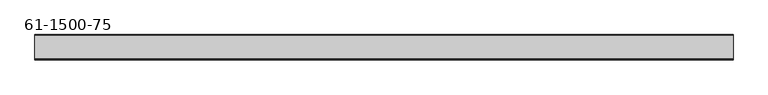
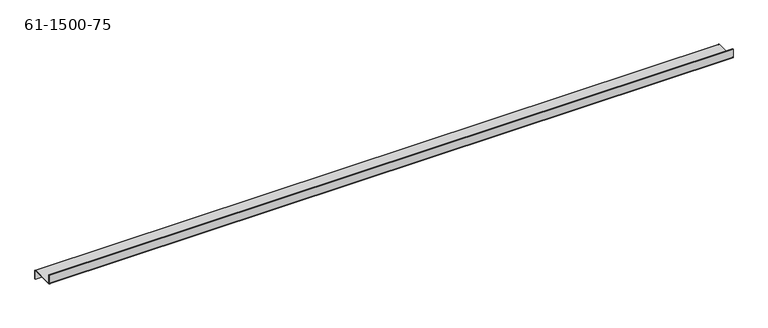
"""IFC4 building model written with IfcOpenShell, lengths in millimetres: proxy geometry, 61-1500-75."""

from ifc_helpers import new_model, si_unit, frame, origin, place, context, project, spatial, polyline, circle_curve, source, transform, mapped, element, save
from ifc_brep_helpers import plane_surface, cylinder_surface, revolved_surface, advanced_brep


def proxy_61_1500_75_e885cc8c(model_context):
    return source(origin(), model_context, "Body", "AdvancedBrep", [
        advanced_brep(
        [(684.3174144, 42.1591738, -8.51916), (684.3174144, 41.1533338, -8.51916), (681.2694144, 41.1533338, -8.51916), (681.2694144, 42.1591738, -8.51916), (989.1174144, 42.1591738, -8.51916), (989.1174144, 41.1533338, -8.51916), (986.0694144, 41.1533338, -8.51916), (986.0694144, 42.1591738, -8.51916), (1293.9174144, 42.1591738, -8.51916), (1293.9174144, 41.1533338, -8.51916), (1290.8694144, 41.1533338, -8.51916), (1290.8694144, 42.1591738, -8.51916), (1141.5174144, 42.1591738, -8.51916), (1141.5174144, 41.1533338, -8.51916), (1138.4694144, 41.1533338, -8.51916), (1138.4694144, 42.1591738, -8.51916), (836.7174144, 42.1591738, -8.51916), (836.7174144, 41.1533338, -8.51916), (833.6694144, 41.1533338, -8.51916), (833.6694144, 42.1591738, -8.51916), (-2.3639656, 42.1591738, -8.51916), (-2.3639656, 41.1533338, -8.51916), (-5.4119656, 41.1533338, -8.51916), (-5.4119656, 42.1591738, -8.51916), (302.4360344, 42.1591738, -8.51916), (302.4360344, 41.1533338, -8.51916), (299.3880344, 41.1533338, -8.51916), (299.3880344, 42.1591738, -8.51916), (607.2360344, 42.1591738, -8.51916), (607.2360344, 41.1533338, -8.51916), (604.1880344, 41.1533338, -8.51916), (604.1880344, 42.1591738, -8.51916), (454.8360344, 42.1591738, -8.51916), (454.8360344, 41.1533338, -8.51916), (451.7880344, 41.1533338, -8.51916), (451.7880344, 42.1591738, -8.51916), (150.0360344, 42.1591738, -8.51916), (150.0360344, 41.1533338, -8.51916), (146.9880344, 41.1533338, -8.51916), (146.9880344, 42.1591738, -8.51916), (1315.6941044, -6.3192662, 2.01168), (-27.1886556, -6.3192662, 2.01168), (-27.1886556, -4.3075862, 0.0), (1315.6941044, -4.3075862, 0.0), (-27.1886556, -5.3134262, 2.01168), (1315.6941044, -5.3134262, 2.01168), (1315.6941044, -4.3075862, 1.00584), (-27.1886556, -4.3075862, 1.00584), (1315.6941044, 40.1474938, 1.00584), (-27.1886556, 40.1474938, 1.00584), (1315.6941044, 42.1591738, -1.00584), (-27.1886556, 42.1591738, -1.00584), (-27.1886556, 41.1533338, -1.00584), (1315.6941044, 41.1533338, -1.00584), (1315.6941044, 40.1474938, 0.0), (-27.1886556, 40.1474938, 0.0), (1315.6941044, 42.1591738, -18.04416), (-27.1886556, 42.1591738, -18.04416), (1315.6941044, 41.1533338, -18.04416), (-27.1886556, 41.1533338, -18.04416), (-27.1886556, -6.3192662, 19.05), (-27.1886556, -5.3134262, 19.05), (1315.6941044, -6.3192662, 19.05), (1315.6941044, -5.3134262, 19.05)],
        [
            (0, 1),
            (1, 2, circle_curve(frame((682.7934144, 41.1533338, -8.51916), z_axis=(0.0, -1.0, 0.0), x_axis=(1.0, 0.0, 0.0)), 1.524)),
            (2, 3),
            (3, 0, circle_curve(frame((682.7934144, 42.1591738, -8.51916), z_axis=(0.0, 1.0, 0.0), x_axis=(1.0, 0.0, 0.0)), 1.524)),
            (4, 5),
            (5, 6, circle_curve(frame((987.5934144, 41.1533338, -8.51916), z_axis=(0.0, -1.0, 0.0), x_axis=(1.0, 0.0, 0.0)), 1.524)),
            (6, 7),
            (7, 4, circle_curve(frame((987.5934144, 42.1591738, -8.51916), z_axis=(0.0, 1.0, 0.0), x_axis=(1.0, 0.0, 0.0)), 1.524)),
            (8, 9),
            (9, 10, circle_curve(frame((1292.3934144, 41.1533338, -8.51916), z_axis=(0.0, -1.0, 0.0), x_axis=(1.0, 0.0, 0.0)), 1.524)),
            (10, 11),
            (11, 8, circle_curve(frame((1292.3934144, 42.1591738, -8.51916), z_axis=(0.0, 1.0, 0.0), x_axis=(1.0, 0.0, 0.0)), 1.524)),
            (12, 13),
            (13, 14, circle_curve(frame((1139.9934144, 41.1533338, -8.51916), z_axis=(0.0, -1.0, 0.0), x_axis=(1.0, 0.0, 0.0)), 1.524)),
            (14, 15),
            (15, 12, circle_curve(frame((1139.9934144, 42.1591738, -8.51916), z_axis=(0.0, 1.0, 0.0), x_axis=(1.0, 0.0, 0.0)), 1.524)),
            (16, 17),
            (17, 18, circle_curve(frame((835.1934144, 41.1533338, -8.51916), z_axis=(0.0, -1.0, 0.0), x_axis=(1.0, 0.0, 0.0)), 1.524)),
            (18, 19),
            (19, 16, circle_curve(frame((835.1934144, 42.1591738, -8.51916), z_axis=(0.0, 1.0, 0.0), x_axis=(1.0, 0.0, 0.0)), 1.524)),
            (20, 21),
            (21, 22, circle_curve(frame((-3.8879656, 41.1533338, -8.51916), z_axis=(0.0, -1.0, 0.0), x_axis=(1.0, 0.0, 0.0)), 1.524)),
            (22, 23),
            (23, 20, circle_curve(frame((-3.8879656, 42.1591738, -8.51916), z_axis=(0.0, 1.0, 0.0), x_axis=(1.0, 0.0, 0.0)), 1.524)),
            (24, 25),
            (25, 26, circle_curve(frame((300.9120344, 41.1533338, -8.51916), z_axis=(0.0, -1.0, 0.0), x_axis=(1.0, 0.0, 0.0)), 1.524)),
            (26, 27),
            (27, 24, circle_curve(frame((300.9120344, 42.1591738, -8.51916), z_axis=(0.0, 1.0, 0.0), x_axis=(1.0, 0.0, 0.0)), 1.524)),
            (28, 29),
            (29, 30, circle_curve(frame((605.7120344, 41.1533338, -8.51916), z_axis=(0.0, -1.0, 0.0), x_axis=(1.0, 0.0, 0.0)), 1.524)),
            (30, 31),
            (31, 28, circle_curve(frame((605.7120344, 42.1591738, -8.51916), z_axis=(0.0, 1.0, 0.0), x_axis=(1.0, 0.0, 0.0)), 1.524)),
            (32, 33),
            (33, 34, circle_curve(frame((453.3120344, 41.1533338, -8.51916), z_axis=(0.0, -1.0, 0.0), x_axis=(1.0, 0.0, 0.0)), 1.524)),
            (34, 35),
            (35, 32, circle_curve(frame((453.3120344, 42.1591738, -8.51916), z_axis=(0.0, 1.0, 0.0), x_axis=(1.0, 0.0, 0.0)), 1.524)),
            (36, 37),
            (37, 38, circle_curve(frame((148.5120344, 41.1533338, -8.51916), z_axis=(0.0, -1.0, 0.0), x_axis=(1.0, 0.0, 0.0)), 1.524)),
            (38, 39),
            (39, 36, circle_curve(frame((148.5120344, 42.1591738, -8.51916), z_axis=(0.0, 1.0, 0.0), x_axis=(1.0, 0.0, 0.0)), 1.524)),
            (36, 39, circle_curve(frame((148.5120344, 42.1591738, -8.51916), z_axis=(0.0, 1.0, 0.0), x_axis=(1.0, 0.0, 0.0)), 1.524)),
            (38, 37, circle_curve(frame((148.5120344, 41.1533338, -8.51916), z_axis=(0.0, -1.0, 0.0), x_axis=(1.0, 0.0, 0.0)), 1.524)),
            (32, 35, circle_curve(frame((453.3120344, 42.1591738, -8.51916), z_axis=(0.0, 1.0, 0.0), x_axis=(1.0, 0.0, 0.0)), 1.524)),
            (34, 33, circle_curve(frame((453.3120344, 41.1533338, -8.51916), z_axis=(0.0, -1.0, 0.0), x_axis=(1.0, 0.0, 0.0)), 1.524)),
            (28, 31, circle_curve(frame((605.7120344, 42.1591738, -8.51916), z_axis=(0.0, 1.0, 0.0), x_axis=(1.0, 0.0, 0.0)), 1.524)),
            (30, 29, circle_curve(frame((605.7120344, 41.1533338, -8.51916), z_axis=(0.0, -1.0, 0.0), x_axis=(1.0, 0.0, 0.0)), 1.524)),
            (24, 27, circle_curve(frame((300.9120344, 42.1591738, -8.51916), z_axis=(0.0, 1.0, 0.0), x_axis=(1.0, 0.0, 0.0)), 1.524)),
            (26, 25, circle_curve(frame((300.9120344, 41.1533338, -8.51916), z_axis=(0.0, -1.0, 0.0), x_axis=(1.0, 0.0, 0.0)), 1.524)),
            (20, 23, circle_curve(frame((-3.8879656, 42.1591738, -8.51916), z_axis=(0.0, 1.0, 0.0), x_axis=(1.0, 0.0, 0.0)), 1.524)),
            (22, 21, circle_curve(frame((-3.8879656, 41.1533338, -8.51916), z_axis=(0.0, -1.0, 0.0), x_axis=(1.0, 0.0, 0.0)), 1.524)),
            (16, 19, circle_curve(frame((835.1934144, 42.1591738, -8.51916), z_axis=(0.0, 1.0, 0.0), x_axis=(1.0, 0.0, 0.0)), 1.524)),
            (18, 17, circle_curve(frame((835.1934144, 41.1533338, -8.51916), z_axis=(0.0, -1.0, 0.0), x_axis=(1.0, 0.0, 0.0)), 1.524)),
            (12, 15, circle_curve(frame((1139.9934144, 42.1591738, -8.51916), z_axis=(0.0, 1.0, 0.0), x_axis=(1.0, 0.0, 0.0)), 1.524)),
            (14, 13, circle_curve(frame((1139.9934144, 41.1533338, -8.51916), z_axis=(0.0, -1.0, 0.0), x_axis=(1.0, 0.0, 0.0)), 1.524)),
            (8, 11, circle_curve(frame((1292.3934144, 42.1591738, -8.51916), z_axis=(0.0, 1.0, 0.0), x_axis=(1.0, 0.0, 0.0)), 1.524)),
            (10, 9, circle_curve(frame((1292.3934144, 41.1533338, -8.51916), z_axis=(0.0, -1.0, 0.0), x_axis=(1.0, 0.0, 0.0)), 1.524)),
            (4, 7, circle_curve(frame((987.5934144, 42.1591738, -8.51916), z_axis=(0.0, 1.0, 0.0), x_axis=(1.0, 0.0, 0.0)), 1.524)),
            (6, 5, circle_curve(frame((987.5934144, 41.1533338, -8.51916), z_axis=(0.0, -1.0, 0.0), x_axis=(1.0, 0.0, 0.0)), 1.524)),
            (0, 3, circle_curve(frame((682.7934144, 42.1591738, -8.51916), z_axis=(0.0, 1.0, 0.0), x_axis=(1.0, 0.0, 0.0)), 1.524)),
            (2, 1, circle_curve(frame((682.7934144, 41.1533338, -8.51916), z_axis=(0.0, -1.0, 0.0), x_axis=(1.0, 0.0, 0.0)), 1.524)),
            (40, 41),
            (41, 42, circle_curve(frame((-27.1886556, -4.3075862, 2.01168), z_axis=(1.0, 0.0, 0.0), x_axis=(0.0, 0.0, -1.0)), 2.01168)),
            (42, 43),
            (43, 40, circle_curve(frame((1315.6941044, -4.3075862, 2.01168), z_axis=(-1.0, 0.0, 0.0), x_axis=(0.0, 0.0, -1.0)), 2.01168)),
            (44, 45),
            (45, 46, circle_curve(frame((1315.6941044, -4.3075862, 2.01168), z_axis=(1.0, 0.0, 0.0), x_axis=(0.0, 0.0, -1.0)), 1.00584)),
            (46, 47),
            (47, 44, circle_curve(frame((-27.1886556, -4.3075862, 2.01168), z_axis=(-1.0, 0.0, 0.0), x_axis=(0.0, 0.0, -1.0)), 1.00584)),
            (46, 48),
            (48, 49),
            (49, 47),
            (50, 51),
            (51, 49, circle_curve(frame((-27.1886556, 40.1474938, -1.00584), z_axis=(1.0, 0.0, 0.0), x_axis=(0.0, 0.0, 1.0)), 2.01168)),
            (48, 50, circle_curve(frame((1315.6941044, 40.1474938, -1.00584), z_axis=(-1.0, 0.0, 0.0), x_axis=(0.0, 0.0, 1.0)), 2.01168)),
            (52, 53),
            (53, 54, circle_curve(frame((1315.6941044, 40.1474938, -1.00584), z_axis=(1.0, 0.0, 0.0), x_axis=(0.0, 0.0, 1.0)), 1.00584)),
            (54, 55),
            (55, 52, circle_curve(frame((-27.1886556, 40.1474938, -1.00584), z_axis=(-1.0, 0.0, 0.0), x_axis=(0.0, 0.0, 1.0)), 1.00584)),
            (42, 55),
            (54, 43),
            (50, 56),
            (56, 57),
            (57, 51),
            (58, 59),
            (59, 57),
            (56, 58),
            (52, 59),
            (58, 53),
            (41, 60),
            (60, 61),
            (61, 44),
            (40, 62),
            (62, 60),
            (45, 63),
            (63, 62),
            (63, 61),
        ],
        [
            revolved_surface(polyline([(684.3174144, 41.1533338, -8.51916), (684.3174144, 42.1591738, -8.51916)]), (682.7934144, 50.6783338, -8.51916), (0.0, -1.0, 0.0)),
            revolved_surface(polyline([(989.1174144, 41.1533338, -8.51916), (989.1174144, 42.1591738, -8.51916)]), (987.5934144, 50.6783338, -8.51916), (0.0, -1.0, 0.0)),
            revolved_surface(polyline([(1293.9174143999999, 41.1533338, -8.51916), (1293.9174143999999, 42.1591738, -8.51916)]), (1292.3934144, 50.6783338, -8.51916), (0.0, -1.0, 0.0)),
            revolved_surface(polyline([(1141.5174143999998, 41.1533338, -8.51916), (1141.5174143999998, 42.1591738, -8.51916)]), (1139.9934144, 50.6783338, -8.51916), (0.0, -1.0, 0.0)),
            revolved_surface(polyline([(836.7174144, 41.1533338, -8.51916), (836.7174144, 42.1591738, -8.51916)]), (835.1934144, 50.6783338, -8.51916), (0.0, -1.0, 0.0)),
            revolved_surface(polyline([(-2.3639656, 41.1533338, -8.51916), (-2.3639656, 42.1591738, -8.51916)]), (-3.8879656, 50.6783338, -8.51916), (0.0, -1.0, 0.0)),
            revolved_surface(polyline([(302.4360344, 41.1533338, -8.51916), (302.4360344, 42.1591738, -8.51916)]), (300.9120344, 50.6783338, -8.51916), (0.0, -1.0, 0.0)),
            revolved_surface(polyline([(607.2360344, 41.1533338, -8.51916), (607.2360344, 42.1591738, -8.51916)]), (605.7120344, 50.6783338, -8.51916), (0.0, -1.0, 0.0)),
            revolved_surface(polyline([(454.8360344, 41.1533338, -8.51916), (454.8360344, 42.1591738, -8.51916)]), (453.3120344, 50.6783338, -8.51916), (0.0, -1.0, 0.0)),
            revolved_surface(polyline([(150.0360344, 41.1533338, -8.51916), (150.0360344, 42.1591738, -8.51916)]), (148.5120344, 50.6783338, -8.51916), (0.0, -1.0, 0.0)),
            cylinder_surface(frame((644.2527244, -4.3075862, 2.01168), z_axis=(-1.0, 0.0, 0.0), x_axis=(0.0, 0.0, -1.0)), 2.01168),
            revolved_surface(polyline([(-27.188655599999947, -4.3075862, 1.00584), (1315.6941044, -4.3075862, 1.00584)]), (644.2527244, -4.3075862, 2.01168), (-1.0, 0.0, 0.0)),
            plane_surface(frame((644.2527244, 17.9199538, 1.00584), z_axis=(0.0, 0.0, 1.0), x_axis=(1.0, 0.0, 0.0))),
            cylinder_surface(frame((644.2527244, 40.1474938, -1.00584), z_axis=(-1.0, 0.0, 0.0), x_axis=(0.0, 0.0, 1.0)), 2.01168),
            revolved_surface(polyline([(-27.188655599999947, 40.1474938, 0.0), (1315.6941044, 40.1474938, 0.0)]), (644.2527244, 40.1474938, -1.00584), (-1.0, 0.0, 0.0)),
            plane_surface(frame((644.2527244, 17.9199538, 0.0), z_axis=(0.0, 0.0, -1.0), x_axis=(1.0, 0.0, 0.0))),
            plane_surface(frame((644.2527244, 42.1591738, -8.51916), z_axis=(0.0, 1.0, 0.0), x_axis=(0.0, 0.0, 1.0))),
            plane_surface(frame((1315.6941044, 42.1591738, -18.04416), z_axis=(0.0, 0.0, -1.0), x_axis=(-1.0, 0.0, 0.0))),
            plane_surface(frame((644.2527244, 41.1533338, -8.51916), z_axis=(0.0, -1.0, 0.0), x_axis=(0.0, 0.0, 1.0))),
            plane_surface(frame((-27.1886556, -6.3192662, 19.05), z_axis=(-1.0, 0.0, 0.0), x_axis=(0.0, 0.0, 1.0))),
            plane_surface(frame((644.2527244, -6.3192662, 9.525), z_axis=(0.0, -1.0, 0.0), x_axis=(0.0, 0.0, 1.0))),
            plane_surface(frame((1315.6941044, -6.3192662, 0.0), z_axis=(1.0, 0.0, 0.0), x_axis=(0.0, 0.0, -1.0))),
            plane_surface(frame((1315.6941044, -6.3192662, 19.05), z_axis=(0.0, 0.0, 1.0), x_axis=(1.0, 0.0, 0.0))),
            plane_surface(frame((644.2527244, -5.3134262, 9.525), z_axis=(0.0, 1.0, 0.0), x_axis=(0.0, 0.0, 1.0))),
        ],
        [
            (0, [[1, 2, 3, 4]]),
            (1, [[5, 6, 7, 8]]),
            (2, [[9, 10, 11, 12]]),
            (3, [[13, 14, 15, 16]]),
            (4, [[17, 18, 19, 20]]),
            (5, [[21, 22, 23, 24]]),
            (6, [[25, 26, 27, 28]]),
            (7, [[29, 30, 31, 32]]),
            (8, [[33, 34, 35, 36]]),
            (9, [[37, 38, 39, 40]]),
            (9, [[-37, 41, -39, 42]]),
            (8, [[-33, 43, -35, 44]]),
            (7, [[-29, 45, -31, 46]]),
            (6, [[-25, 47, -27, 48]]),
            (5, [[-21, 49, -23, 50]]),
            (4, [[-17, 51, -19, 52]]),
            (3, [[-13, 53, -15, 54]]),
            (2, [[-9, 55, -11, 56]]),
            (1, [[-5, 57, -7, 58]]),
            (0, [[-1, 59, -3, 60]]),
            (10, [[61, 62, 63, 64]]),
            (11, [[65, 66, 67, 68]]),
            (12, [[-67, 69, 70, 71]]),
            (13, [[72, 73, -70, 74]]),
            (14, [[75, 76, 77, 78]]),
            (15, [[-63, 79, -77, 80]]),
            (16, [[-72, 81, 82, 83], [-41, -40], [-43, -36], [-45, -32], [-47, -28], [-49, -24], [-51, -20], [-53, -16], [-55, -12], [-57, -8], [-59, -4]]),
            (17, [[84, 85, -82, 86]]),
            (18, [[-75, 87, -84, 88], [-42, -38], [-44, -34], [-46, -30], [-48, -26], [-50, -22], [-52, -18], [-54, -14], [-56, -10], [-58, -6], [-60, -2]]),
            (19, [[89, 90, 91, -68, -71, -73, -83, -85, -87, -78, -79, -62]]),
            (20, [[-61, 92, 93, -89]]),
            (21, [[94, 95, -92, -64, -80, -76, -88, -86, -81, -74, -69, -66]]),
            (22, [[96, -90, -93, -95]]),
            (23, [[-65, -91, -96, -94]]),
        ],
    ),
    ])


if __name__ == "__main__":
    model = new_model("IFC4")
    model_context = context("Model", 3, world=origin())
    ifc_project = project(units=[si_unit("LENGTHUNIT", "METRE", prefix="MILLI")], contexts=[model_context])
    site = spatial("IfcSite", under=ifc_project)
    building = spatial("IfcBuilding", under=site)
    placement = place(None, origin())
    proxy_61_1500_75_shape = proxy_61_1500_75_e885cc8c(model_context)
    element("IfcBuildingElementProxy", 1, Name="61-1500-75", ObjectType="61-1500-75", at=placement, inside=building, context=model_context, shape_type="MappedRepresentation", body=[
        mapped(proxy_61_1500_75_shape, transform((0.0, 0.0, 0.0), x_axis=(1.0, 0.0, 0.0), y_axis=(0.0, 1.0, 0.0), z_axis=(0.0, 0.0, 1.0))),
    ])
    save(model, "model.ifc")
